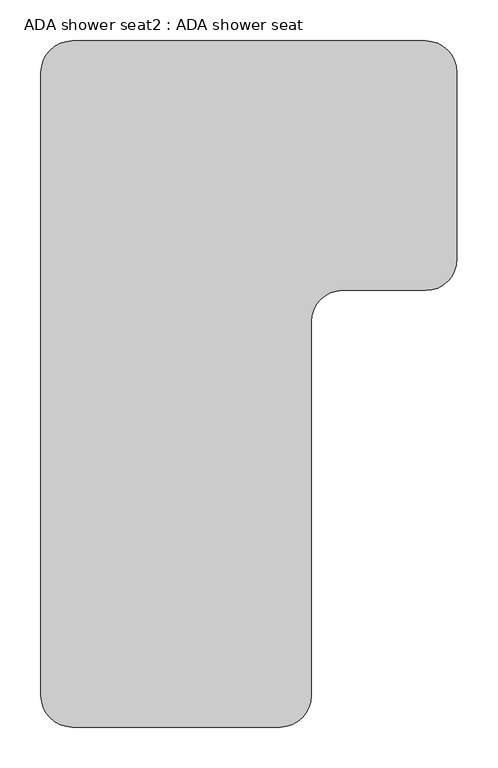
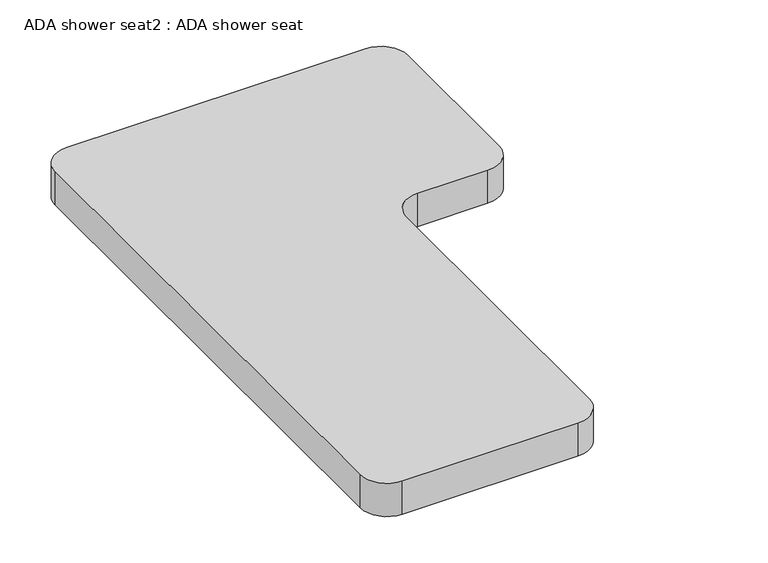
"""IFC4 building model written with IfcOpenShell, lengths in millimetres: proxy geometry, ADA shower seat2 : ADA shower seat."""

from ifc_helpers import new_model, si_unit, point, frame, frame_2d, origin, place, context, project, spatial, polyline, circle_curve, trimmed, segment, composite_curve, outline, extrude, source, transform, mapped, element, save


def ada_shower_seat2_ada_shower_seat_2d2706dd(model_context):
    return source(origin(), model_context, "Body", "SweptSolid", [
        extrude(outline(composite_curve([segment(trimmed(circle_curve(frame_2d((6011.0446452, 52266.85)), 38.1), [point((6011.0446452, 52304.95))], [point((6049.1446452, 52266.85))], False, "CARTESIAN"), True, "CONTINUOUS"), segment(polyline([(6049.1446452, 52266.85), (6049.1446452, 52038.25)]), True, "CONTINUOUS"), segment(trimmed(circle_curve(frame_2d((6011.0446452, 52038.25)), 38.1), [point((6049.1446452, 52038.25))], [point((6011.0446452, 52000.15))], False, "CARTESIAN"), True, "CONTINUOUS"), segment(polyline([(6011.0446452, 52000.15), (5909.4446452, 52000.15)]), True, "CONTINUOUS"), segment(trimmed(circle_curve(frame_2d((5909.4446452, 51962.05)), 38.1), [point((5909.4446452, 52000.15))], [point((5871.3446452, 51962.05))], True, "CARTESIAN"), True, "CONTINUOUS"), segment(polyline([(5871.3446452, 51962.05), (5871.3446452, 51504.85)]), True, "CONTINUOUS"), segment(trimmed(circle_curve(frame_2d((5833.2446452, 51504.85)), 38.1), [point((5871.3446452, 51504.85))], [point((5833.2446452, 51466.75))], False, "CARTESIAN"), True, "CONTINUOUS"), segment(polyline([(5833.2446452, 51466.75), (5579.2446452, 51466.75)]), True, "CONTINUOUS"), segment(trimmed(circle_curve(frame_2d((5579.2446452, 51504.85)), 38.1), [point((5579.2446452, 51466.75))], [point((5541.1446452, 51504.85))], False, "CARTESIAN"), True, "CONTINUOUS"), segment(polyline([(5541.1446452, 51504.85), (5541.1446452, 52266.85)]), True, "CONTINUOUS"), segment(trimmed(circle_curve(frame_2d((5579.2446452, 52266.85)), 38.1), [point((5541.1446452, 52266.85))], [point((5579.2446452, 52304.95))], False, "CARTESIAN"), True, "CONTINUOUS"), segment(polyline([(5579.2446452, 52304.95), (6011.0446452, 52304.95)]), True, "CONTINUOUS")], self_intersect=False)), frame((0.0, 0.0, 406.4), z_axis=(0.0, 0.0, 1.0), x_axis=(1.0, 0.0, 0.0)), (0.0, 0.0, 1.0), 50.8),
    ])


if __name__ == "__main__":
    model = new_model("IFC4")
    model_context = context("Model", 3, world=origin())
    ifc_project = project(units=[si_unit("LENGTHUNIT", "METRE", prefix="MILLI")], contexts=[model_context])
    site = spatial("IfcSite", under=ifc_project)
    building = spatial("IfcBuilding", under=site)
    placement = place(None, origin())
    ada_shower_seat2_ada_shower_seat_shape = ada_shower_seat2_ada_shower_seat_2d2706dd(model_context)
    element("IfcBuildingElementProxy", 1, Name="ADA shower seat2 : ADA shower seat", ObjectType="ADA shower seat2 : ADA shower seat", at=placement, inside=building, context=model_context, shape_type="MappedRepresentation", body=[
        mapped(ada_shower_seat2_ada_shower_seat_shape, transform((0.0, 0.0, 0.0), x_axis=(1.0, 0.0, 0.0), y_axis=(0.0, 1.0, 0.0), z_axis=(0.0, 0.0, 1.0))),
    ])
    save(model, "model.ifc")
